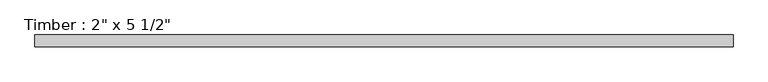
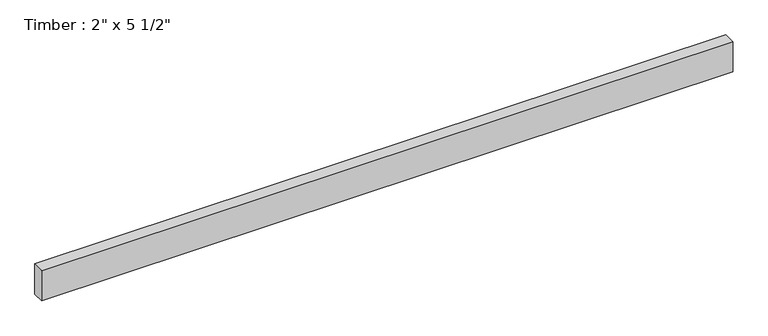
"""IFC4 building model written with IfcOpenShell, lengths in millimetres: beam geometry."""

from ifc_helpers import new_model, si_unit, frame, origin, place, context, project, spatial, polyline, outline, extrude, source, transform, mapped, element, save


def beam_4a46ad8b(model_context):
    return source(origin(), model_context, "Body", "SweptSolid", [
        extrude(outline(polyline([(1509.3217261, 25.4), (1509.3217261, -25.4), (-1509.3217261, -25.4), (-1509.3217261, 25.4), (1509.3217261, 25.4)])), frame((0.0, 0.0, -69.85), z_axis=(0.0, 0.0, 1.0), x_axis=(1.0, 0.0, 0.0)), (0.0, 0.0, 1.0), 139.7),
    ])


if __name__ == "__main__":
    model = new_model("IFC4")
    model_context = context("Model", 3, world=origin())
    ifc_project = project(units=[si_unit("LENGTHUNIT", "METRE", prefix="MILLI")], contexts=[model_context])
    site = spatial("IfcSite", under=ifc_project)
    building = spatial("IfcBuilding", under=site)
    placement = place(None, origin())
    beam_shape = beam_4a46ad8b(model_context)
    element("IfcBeam", 1, ObjectType="Timber : 2\" x 5 1/2\"", at=placement, inside=building, context=model_context, shape_type="MappedRepresentation", body=[
        mapped(beam_shape, transform((0.0, 0.0, 0.0), x_axis=(1.0, 0.0, 0.0), y_axis=(0.0, 1.0, 0.0), z_axis=(0.0, 0.0, 1.0))),
    ])
    save(model, "model.ifc")
